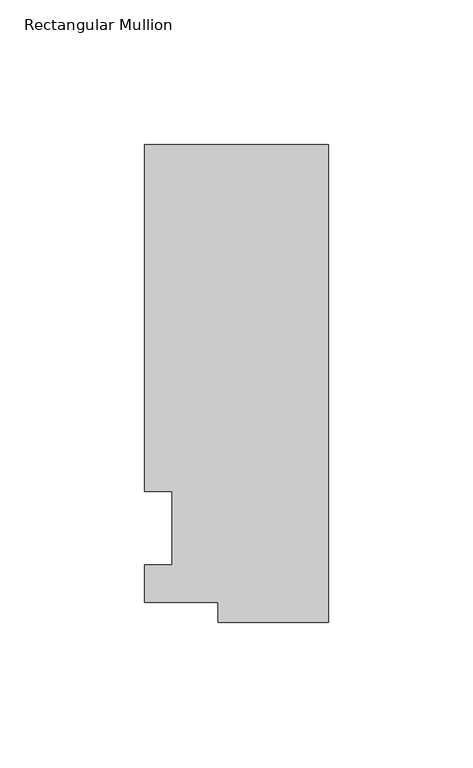
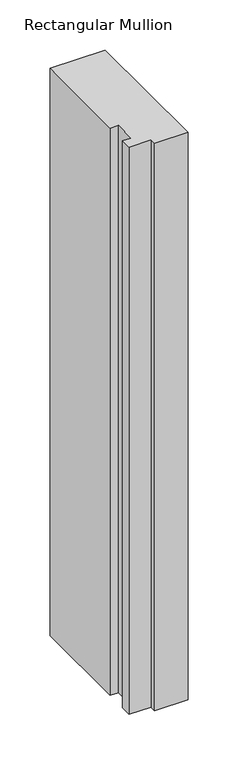
"""IFC4 building model written with IfcOpenShell, lengths in millimetres: member geometry, Rectangular Mullion."""

import ifcopenshell
import ifcopenshell.guid

model = None  # the IFC model being written
_history = None  # IfcOwnerHistory: only IFC2X3 demands one
_inside = {}  # id of a spatial element -> (the spatial element, [elements in it])
_under = {}  # id of a project, library or spatial element -> (it, [spatial elements below it])
_declared = {}  # id of a project -> (the project, [libraries it declares])
_typed = {}  # id of a type object -> (the type object, [elements of that type])
_made_of = {}  # id of a material, layer set ... -> (it, [elements and type objects made of it])


def new_model(schema):
    """Start an empty IFC model of exactly this schema.

    Asked for "IFC4X3", IfcOpenShell would pick the latest addendum, in which some entities
    have other attributes; the version numbers below select the first issue.
    IFC2X3 requires an IfcOwnerHistory on every rooted entity: one is made here for all.
    """
    global model, _history
    if schema == "IFC4X3":
        model = ifcopenshell.file(schema_version=(4, 3, 0, 0))
    else:
        model = ifcopenshell.file(schema=schema)
    _inside.clear()
    _under.clear()
    _declared.clear()
    _typed.clear()
    _made_of.clear()
    _history = None
    if model.schema == "IFC2X3":
        org = make("IfcOrganization", Name="unknown")
        user = make(
            "IfcPersonAndOrganization",
            ThePerson=make("IfcPerson", FamilyName="unknown"),
            TheOrganization=org,
        )
        app = make(
            "IfcApplication",
            ApplicationDeveloper=org,
            Version="unknown",
            ApplicationFullName="unknown",
            ApplicationIdentifier="unknown",
        )
        _history = make(
            "IfcOwnerHistory",
            OwningUser=user,
            OwningApplication=app,
            ChangeAction="ADDED",
            CreationDate=0,
        )
    return model


def make(cls, **values):
    """One entity of the class cls with the attributes given. An attribute that is None is left unset."""
    return model.create_entity(
        cls, **{name: value for name, value in values.items() if value is not None}
    )


def rooted(cls, **values):
    """An entity with a GlobalId (a new one), such as an element, a storey or a relation."""
    return make(cls, GlobalId=ifcopenshell.guid.new(), OwnerHistory=_history, **values)


def si_unit(unit_type, name, prefix=None):
    """IfcSIUnit, for example si_unit("LENGTHUNIT", "METRE", prefix="MILLI")."""
    return make("IfcSIUnit", UnitType=unit_type, Prefix=prefix, Name=name)


def assignment(units):
    """IfcUnitAssignment: the units of a project."""
    return None if units is None else make("IfcUnitAssignment", Units=units)


def point(xyz):
    """IfcCartesianPoint."""
    return None if xyz is None else make("IfcCartesianPoint", Coordinates=xyz)


def direction(xyz):
    """IfcDirection."""
    return None if xyz is None else make("IfcDirection", DirectionRatios=xyz)


def frame(location, z_axis=None, x_axis=None):
    """IfcAxis2Placement3D, a coordinate frame: its origin and axes. An axis left out is left unset."""
    return make(
        "IfcAxis2Placement3D",
        Location=point(location),
        Axis=direction(z_axis),
        RefDirection=direction(x_axis),
    )


def origin():
    """The frame at (0, 0, 0) with its axes left unset."""
    return frame((0.0, 0.0, 0.0))


def place(relative_to, where):
    """IfcLocalPlacement: puts the frame where relative to a parent placement (None: the world)."""
    return make(
        "IfcLocalPlacement", PlacementRelTo=relative_to, RelativePlacement=where
    )


def context(
    kind, dimensions, precision=None, world=None, true_north=None, identifier=None
):
    """IfcGeometricRepresentationContext, for example the 3D "Model" context."""
    return make(
        "IfcGeometricRepresentationContext",
        ContextIdentifier=identifier,
        ContextType=kind,
        CoordinateSpaceDimension=dimensions,
        Precision=precision,
        WorldCoordinateSystem=world,
        TrueNorth=true_north,
    )


def project(units=None, contexts=None):
    """IfcProject with its units and contexts."""
    return rooted(
        "IfcProject",
        Name="project",
        RepresentationContexts=contexts,
        UnitsInContext=assignment(units),
    )


def spatial(cls, under=None, at=None, **own):
    """A site, building, storey or space (cls), placed at a placement, below another one or the project."""
    s = rooted(cls, ObjectPlacement=at, **own)
    if under is not None:
        _under.setdefault(under.id(), (under, []))[1].append(s)
    return s


def polyline(points):
    """IfcPolyline through the points."""
    return make("IfcPolyline", Points=[point(p) for p in points])


def outline(outer, holes=None, kind="AREA"):
    """IfcArbitraryClosedProfileDef: a profile drawn as a closed curve; with holes, ...WithVoids."""
    if holes is None:
        return make("IfcArbitraryClosedProfileDef", ProfileType=kind, OuterCurve=outer)
    return make(
        "IfcArbitraryProfileDefWithVoids",
        ProfileType=kind,
        OuterCurve=outer,
        InnerCurves=holes,
    )


def extrude(swept, where, along, depth):
    """IfcExtrudedAreaSolid: the profile swept, set in the frame where, extruded along a direction by depth."""
    return make(
        "IfcExtrudedAreaSolid",
        SweptArea=swept,
        Position=where,
        ExtrudedDirection=direction(along),
        Depth=depth,
    )


def shape(context_of_items, identifier, shape_type, items):
    """IfcShapeRepresentation: the items that make up one representation, for example the "Body"."""
    return make(
        "IfcShapeRepresentation",
        ContextOfItems=context_of_items,
        RepresentationIdentifier=identifier,
        RepresentationType=shape_type,
        Items=items,
    )


def source(mapping_origin, context_of_items, identifier, shape_type, items):
    """IfcRepresentationMap: a shape defined once, which mapped items show again and again."""
    return make(
        "IfcRepresentationMap",
        MappingOrigin=mapping_origin,
        MappedRepresentation=shape(context_of_items, identifier, shape_type, items),
    )


def transform(
    local_origin,
    x_axis=None,
    y_axis=None,
    z_axis=None,
    scale=None,
    scale2=None,
    scale3=None,
    uniform=True,
):
    """IfcCartesianTransformationOperator3D, or its non-uniform kind. x_axis, y_axis, z_axis: its Axis1, 2, 3."""
    if uniform:
        return make(
            "IfcCartesianTransformationOperator3D",
            Axis1=direction(x_axis),
            Axis2=direction(y_axis),
            LocalOrigin=point(local_origin),
            Scale=scale,
            Axis3=direction(z_axis),
        )
    return make(
        "IfcCartesianTransformationOperator3DnonUniform",
        Axis1=direction(x_axis),
        Axis2=direction(y_axis),
        LocalOrigin=point(local_origin),
        Scale=scale,
        Axis3=direction(z_axis),
        Scale2=scale2,
        Scale3=scale3,
    )


def mapped(mapping_source, mapping_target):
    """IfcMappedItem: shows the shape of a source again, moved by a transform."""
    return make(
        "IfcMappedItem", MappingSource=mapping_source, MappingTarget=mapping_target
    )


def made_of(thing, what):
    """Note that an element or type object is made of a material, layer set ...; save() writes the relation."""
    if what is not None:
        _made_of.setdefault(what.id(), (what, []))[1].append(thing)
    return thing


def element(
    cls,
    number,
    at=None,
    inside=None,
    cuts=None,
    type_object=None,
    material=None,
    context=None,
    identifier="Body",
    shape_type=None,
    held_by="IfcProductDefinitionShape",
    body=None,
    shapes=None,
    **own,
):
    """One element of the class cls, such as IfcWall. Its Tag is "e" and its number.

    at: its placement. inside: the storey or other place that contains it. cuts: it is an
    opening in that element (IfcRelVoidsElement). A single representation is given by context,
    identifier, shape_type and body (its items); several are given by shapes. held_by: the class
    of the entity that holds the representations. save() writes the other relations.
    """
    e = rooted(cls, Tag="e%d" % number, ObjectPlacement=at, **own)
    if body is not None:
        shapes = [shape(context, identifier, shape_type, body)]
    if shapes is not None:
        e.Representation = make(held_by, Representations=shapes)
    if inside is not None:
        _inside.setdefault(inside.id(), (inside, []))[1].append(e)
    if cuts is not None:
        rooted(
            "IfcRelVoidsElement", RelatingBuildingElement=cuts, RelatedOpeningElement=e
        )
    if type_object is not None:
        _typed.setdefault(type_object.id(), (type_object, []))[1].append(e)
    return made_of(e, material)


def aggregate(whole, parts):
    """IfcRelAggregates: a whole, such as a stair, and the parts it consists of."""
    return rooted("IfcRelAggregates", RelatingObject=whole, RelatedObjects=parts)


def save(model, path):
    """Write the relations noted so far, then the file.

    IfcRelAggregates (storeys below a building ...), IfcRelContainedInSpatialStructure (elements
    in a storey), IfcRelDefinesByType, IfcRelAssociatesMaterial and IfcRelDeclares: one each for
    every whole, place, type object, material and project.
    """
    for whole, parts in _under.values():
        aggregate(whole, parts)
    for where, things in _inside.values():
        rooted(
            "IfcRelContainedInSpatialStructure",
            RelatedElements=things,
            RelatingStructure=where,
        )
    for kind, things in _typed.values():
        rooted("IfcRelDefinesByType", RelatedObjects=things, RelatingType=kind)
    for what, things in _made_of.values():
        rooted("IfcRelAssociatesMaterial", RelatedObjects=things, RelatingMaterial=what)
    for by, libraries in _declared.values():
        rooted("IfcRelDeclares", RelatingContext=by, RelatedDefinitions=libraries)
    model.write(path)


def rectangular_mullion_f2233f7c(model_context):
    return source(origin(), model_context, "Body", "SweptSolid", [
        extrude(outline(polyline([(-38.1, -32.54375), (-38.1, -25.58415), (-63.5, -25.58415), (-63.5, -12.7), (-53.975, -12.7), (-53.975, 12.7), (-63.5, 12.7), (-63.5, 132.55625), (0.0, 132.55625), (0.0, -32.54375), (-38.1, -32.54375)])), frame((0.0, 0.0, -690.5625471), z_axis=(0.0, 0.0, 1.0), x_axis=(1.0, 0.0, 0.0)), (0.0, 0.0, 1.0), 690.5625471),
    ])


if __name__ == "__main__":
    model = new_model("IFC4")
    model_context = context("Model", 3, world=origin())
    ifc_project = project(units=[si_unit("LENGTHUNIT", "METRE", prefix="MILLI")], contexts=[model_context])
    site = spatial("IfcSite", under=ifc_project)
    building = spatial("IfcBuilding", under=site)
    placement = place(None, origin())
    rectangular_mullion_shape = rectangular_mullion_f2233f7c(model_context)
    element("IfcMember", 1, ObjectType="Rectangular Mullion", at=placement, inside=building, context=model_context, shape_type="MappedRepresentation", body=[
        mapped(rectangular_mullion_shape, transform((0.0, 0.0, 0.0), x_axis=(1.0, 0.0, 0.0), y_axis=(0.0, 1.0, 0.0), z_axis=(0.0, 0.0, 1.0))),
    ])
    save(model, "model.ifc")
